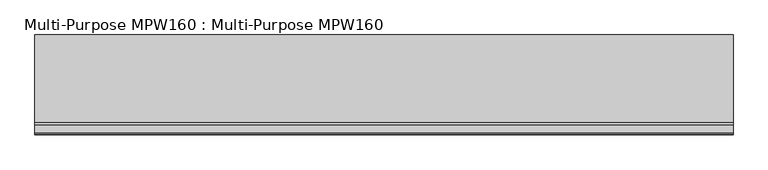
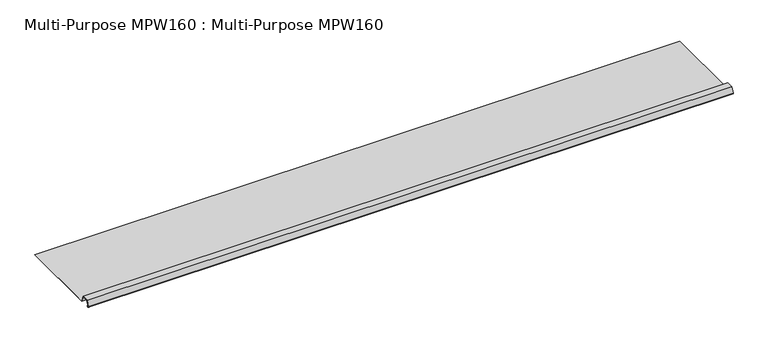
"""IFC4 building model written with IfcOpenShell, lengths in millimetres: proxy geometry, Multi-Purpose MPW160 : Multi-Purpose MPW160."""

from ifc_helpers import new_model, si_unit, point, frame, frame_2d, origin, place, context, project, spatial, polyline, circle_curve, trimmed, segment, composite_curve, outline, extrude, source, transform, mapped, element, save


def multi_purpose_mpw160_multi_purpose_mpw160_ba0726b4(model_context):
    return source(origin(), model_context, "Body", "SweptSolid", [
        extrude(outline(composite_curve([segment(polyline([(-280.7972535, 93.9894951), (-281.3315681, 93.3769988), (-282.2126726, 94.1456352)]), True, "CONTINUOUS"), segment(trimmed(circle_curve(frame_2d((-283.5108901, 92.6574606)), 1.97485), [point((-282.2126726, 94.1456352))], [point((-284.6006453, 94.3044172))], True, "CARTESIAN"), True, "CONTINUOUS"), segment(polyline([(-284.6006453, 94.3044172), (-287.4038766, 92.4495804)]), True, "CONTINUOUS"), segment(trimmed(circle_curve(frame_2d((-288.7178901, 94.4354606)), 2.38125), [point((-287.4038766, 92.4495804))], [point((-290.9555332, 95.249896))], False, "CARTESIAN"), True, "CONTINUOUS"), segment(polyline([(-290.9555332, 95.249896), (-280.8584476, 122.9914106), (-249.1084476, 122.9914106), (-237.8482277, 92.0542106), (145.7808599, 92.0542106), (145.7808599, 91.2414106), (-238.4173564, 91.2414106), (-249.6775763, 122.1786106), (-280.2893189, 122.1786106), (-290.191751, 94.9719021)]), True, "CONTINUOUS"), segment(trimmed(circle_curve(frame_2d((-288.7178901, 94.4354606)), 1.56845), [point((-290.191751, 94.9719021))], [point((-287.8523932, 93.1274275))], True, "CARTESIAN"), True, "CONTINUOUS"), segment(polyline([(-287.8523932, 93.1274275), (-285.0491619, 94.9822643)]), True, "CONTINUOUS"), segment(trimmed(circle_curve(frame_2d((-283.5108901, 92.6574606)), 2.78765), [point((-285.0491619, 94.9822643))], [point((-281.678358, 94.7581316))], False, "CARTESIAN"), True, "CONTINUOUS"), segment(polyline([(-281.678358, 94.7581316), (-280.7972535, 93.9894951)]), True, "CONTINUOUS")], self_intersect=False)), frame((-1102.2989423, 0.0, 0.0), z_axis=(1.0, 0.0, 0.0), x_axis=(0.0, 1.0, 0.0)), (0.0, 0.0, 1.0), 3048.0),
    ])


if __name__ == "__main__":
    model = new_model("IFC4")
    model_context = context("Model", 3, world=origin())
    ifc_project = project(units=[si_unit("LENGTHUNIT", "METRE", prefix="MILLI")], contexts=[model_context])
    site = spatial("IfcSite", under=ifc_project)
    building = spatial("IfcBuilding", under=site)
    placement = place(None, origin())
    multi_purpose_mpw160_multi_purpose_mpw160_shape = multi_purpose_mpw160_multi_purpose_mpw160_ba0726b4(model_context)
    element("IfcBuildingElementProxy", 1, Name="Multi-Purpose MPW160 : Multi-Purpose MPW160", ObjectType="Multi-Purpose MPW160 : Multi-Purpose MPW160", at=placement, inside=building, context=model_context, shape_type="MappedRepresentation", body=[
        mapped(multi_purpose_mpw160_multi_purpose_mpw160_shape, transform((0.0, 0.0, 0.0), x_axis=(1.0, 0.0, 0.0), y_axis=(0.0, 1.0, 0.0), z_axis=(0.0, 0.0, 1.0))),
    ])
    save(model, "model.ifc")
